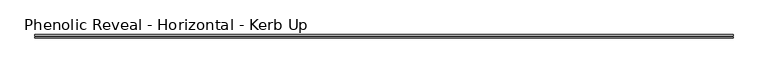
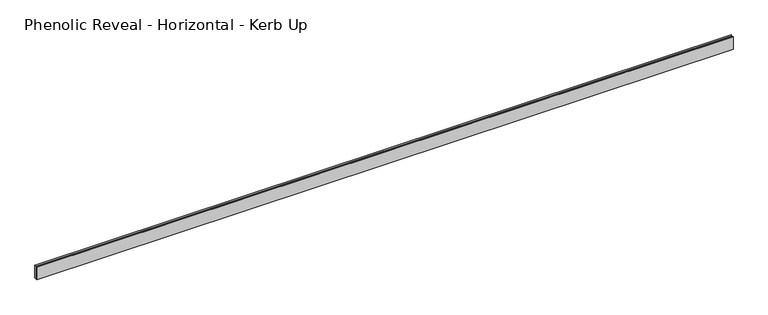
"""IFC4 building model written with IfcOpenShell, lengths in millimetres: proxy geometry, Phenolic Reveal - Horizontal - Kerb Up."""

from ifc_helpers import new_model, si_unit, origin, place, context, project, spatial, faceted_brep, source, transform, mapped, element, save


def phenolic_reveal_horizontal_kerb_up_036b5bca(model_context):
    return source(origin(), model_context, "Body", "Brep", [
        faceted_brep([(2013.9421875, 9.525, 0.0), (2013.9421875, 9.525, 38.1), (2013.9421875, 6.0765851, 38.1), (2013.9421875, 6.0765851, 0.0), (2013.9421875, 3.3757545, 0.0), (2013.9421875, 3.3757545, 38.1), (2013.9421875, 0.0, 38.1), (2013.9421875, 0.0, 0.0), (0.0, 0.0, 0.0), (0.0, 0.0, 38.1), (0.0, 3.3757545, 38.1), (0.0, 3.3757545, 0.0), (0.0, 6.0765851, 0.0), (0.0, 6.0765851, 38.1), (0.0, 9.525, 38.1), (0.0, 9.525, 0.0), (2002.8296875, 6.0765851, 0.0), (2002.8296875, 3.3757545, 0.0), (11.1125, 3.3757545, 0.0), (11.1125, 6.0765851, 0.0), (2002.8296875, 6.0765851, 26.9875), (2002.8296875, 3.3757545, 26.9875), (11.1125, 6.0765851, 26.9875), (11.1125, 3.3757545, 26.9875)], [[[0, 1, 2, 3]], [[4, 5, 6, 7]], [[8, 9, 10, 11]], [[12, 13, 14, 15]], [[1, 0, 15, 14]], [[6, 5, 10, 9]], [[7, 6, 9, 8]], [[15, 0, 3, 16, 17, 4, 7, 8, 11, 18, 19, 12]], [[16, 20, 21, 17]], [[22, 19, 18, 23]], [[13, 2, 1, 14]], [[12, 19, 22, 20, 16, 3, 2, 13]], [[20, 22, 23, 21]], [[4, 17, 21, 23, 18, 11, 10, 5]]]),
    ])


if __name__ == "__main__":
    model = new_model("IFC4")
    model_context = context("Model", 3, world=origin())
    ifc_project = project(units=[si_unit("LENGTHUNIT", "METRE", prefix="MILLI")], contexts=[model_context])
    site = spatial("IfcSite", under=ifc_project)
    building = spatial("IfcBuilding", under=site)
    placement = place(None, origin())
    phenolic_reveal_horizontal_kerb_up_shape = phenolic_reveal_horizontal_kerb_up_036b5bca(model_context)
    element("IfcBuildingElementProxy", 1, Name="Phenolic Reveal - Horizontal - Kerb Up", ObjectType="Phenolic Reveal - Horizontal - Kerb Up", at=placement, inside=building, context=model_context, shape_type="MappedRepresentation", body=[
        mapped(phenolic_reveal_horizontal_kerb_up_shape, transform((0.0, 0.0, 0.0), x_axis=(1.0, 0.0, 0.0), y_axis=(0.0, 1.0, 0.0), z_axis=(0.0, 0.0, 1.0))),
    ])
    save(model, "model.ifc")
